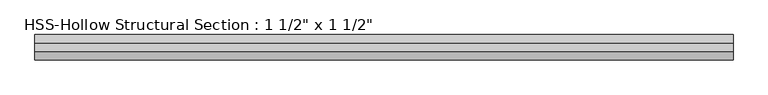
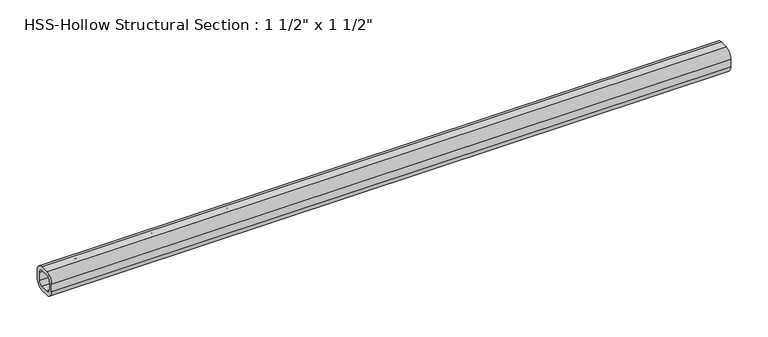
"""IFC4 building model written with IfcOpenShell, lengths in millimetres: beam geometry."""

from ifc_helpers import new_model, si_unit, point, frame, frame_2d, origin, place, context, project, spatial, polyline, circle_curve, trimmed, segment, composite_curve, outline, extrude, source, transform, mapped, element, save


def beam_c7279766(model_context):
    return source(origin(), model_context, "Body", "SweptSolid", [
        extrude(outline(composite_curve([segment(polyline([(19.05, 6.35), (19.05, -6.35)]), True, "CONTINUOUS"), segment(trimmed(circle_curve(frame_2d((6.35, -6.35)), 12.7), [point((19.05, -6.35))], [point((6.35, -19.05))], False, "CARTESIAN"), True, "CONTINUOUS"), segment(polyline([(6.35, -19.05), (-6.35, -19.05)]), True, "CONTINUOUS"), segment(trimmed(circle_curve(frame_2d((-6.35, -6.35)), 12.7), [point((-6.35, -19.05))], [point((-19.05, -6.35))], False, "CARTESIAN"), True, "CONTINUOUS"), segment(polyline([(-19.05, -6.35), (-19.05, 6.35)]), True, "CONTINUOUS"), segment(trimmed(circle_curve(frame_2d((-6.35, 6.35)), 12.7), [point((-19.05, 6.35))], [point((-6.35, 19.05))], False, "CARTESIAN"), True, "CONTINUOUS"), segment(polyline([(-6.35, 19.05), (6.35, 19.05)]), True, "CONTINUOUS"), segment(trimmed(circle_curve(frame_2d((6.35, 6.35)), 12.7), [point((6.35, 19.05))], [point((19.05, 6.35))], False, "CARTESIAN"), True, "CONTINUOUS")], self_intersect=False), holes=[composite_curve([segment(trimmed(circle_curve(frame_2d((-6.35, 6.35)), 6.35), [point((-6.35, 12.7))], [point((-12.7, 6.35))], True, "CARTESIAN"), True, "CONTINUOUS"), segment(polyline([(-12.7, 6.35), (-12.7, -6.35)]), True, "CONTINUOUS"), segment(trimmed(circle_curve(frame_2d((-6.35, -6.35)), 6.35), [point((-12.7, -6.35))], [point((-6.35, -12.7))], True, "CARTESIAN"), True, "CONTINUOUS"), segment(polyline([(-6.35, -12.7), (6.35, -12.7)]), True, "CONTINUOUS"), segment(trimmed(circle_curve(frame_2d((6.35, -6.35)), 6.35), [point((6.35, -12.7))], [point((12.7, -6.35))], True, "CARTESIAN"), True, "CONTINUOUS"), segment(polyline([(12.7, -6.35), (12.7, 6.35)]), True, "CONTINUOUS"), segment(trimmed(circle_curve(frame_2d((6.35, 6.35)), 6.35), [point((12.7, 6.35))], [point((6.35, 12.7))], True, "CARTESIAN"), True, "CONTINUOUS"), segment(polyline([(6.35, 12.7), (-6.35, 12.7)]), True, "CONTINUOUS")], self_intersect=False)]), frame((-526.8447135, 0.0, 0.0), z_axis=(1.0, 0.0, 0.0), x_axis=(0.0, 1.0, 0.0)), (0.0, 0.0, 1.0), 1053.689427),
    ])


if __name__ == "__main__":
    model = new_model("IFC4")
    model_context = context("Model", 3, world=origin())
    ifc_project = project(units=[si_unit("LENGTHUNIT", "METRE", prefix="MILLI")], contexts=[model_context])
    site = spatial("IfcSite", under=ifc_project)
    building = spatial("IfcBuilding", under=site)
    placement = place(None, origin())
    beam_shape = beam_c7279766(model_context)
    element("IfcBeam", 1, ObjectType="HSS-Hollow Structural Section : 1 1/2\" x 1 1/2\"", at=placement, inside=building, context=model_context, shape_type="MappedRepresentation", body=[
        mapped(beam_shape, transform((0.0, 0.0, 0.0), x_axis=(1.0, 0.0, 0.0), y_axis=(0.0, 1.0, 0.0), z_axis=(0.0, 0.0, 1.0))),
    ])
    save(model, "model.ifc")
